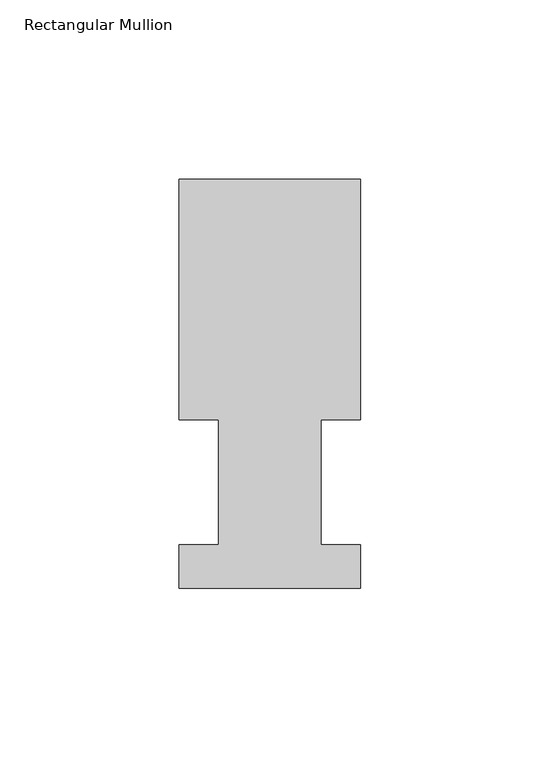
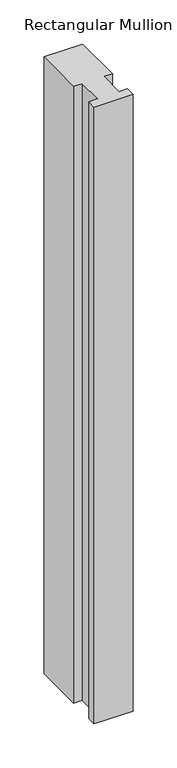
"""IFC4 building model written with IfcOpenShell, lengths in millimetres: member geometry, Rectangular Mullion."""

from ifc_helpers import new_model, si_unit, frame, origin, place, context, project, spatial, polyline, outline, extrude, source, transform, mapped, element, save


def rectangular_mullion_c8ea5414(model_context):
    return source(origin(), model_context, "Body", "SweptSolid", [
        extrude(outline(polyline([(-25.4, 114.252375), (25.4, 114.252375), (25.4, 47.069375), (14.2875, 47.069375), (14.2875, 12.144375), (25.4, 12.144375), (25.4, -0.047625), (-25.4, -0.047625), (-25.4, 12.144375), (-14.2875, 12.144375), (-14.2875, 47.069375), (-25.4, 47.069375), (-25.4, 114.252375)])), frame((0.0, 0.0, -854.075), z_axis=(0.0, 0.0, 1.0), x_axis=(1.0, 0.0, 0.0)), (0.0, 0.0, 1.0), 854.075),
    ])


if __name__ == "__main__":
    model = new_model("IFC4")
    model_context = context("Model", 3, world=origin())
    ifc_project = project(units=[si_unit("LENGTHUNIT", "METRE", prefix="MILLI")], contexts=[model_context])
    site = spatial("IfcSite", under=ifc_project)
    building = spatial("IfcBuilding", under=site)
    placement = place(None, origin())
    rectangular_mullion_shape = rectangular_mullion_c8ea5414(model_context)
    element("IfcMember", 1, ObjectType="Rectangular Mullion", at=placement, inside=building, context=model_context, shape_type="MappedRepresentation", body=[
        mapped(rectangular_mullion_shape, transform((0.0, 0.0, 0.0), x_axis=(1.0, 0.0, 0.0), y_axis=(0.0, 1.0, 0.0), z_axis=(0.0, 0.0, 1.0))),
    ])
    save(model, "model.ifc")
